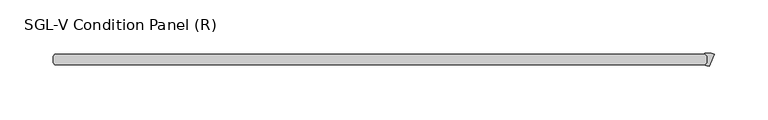
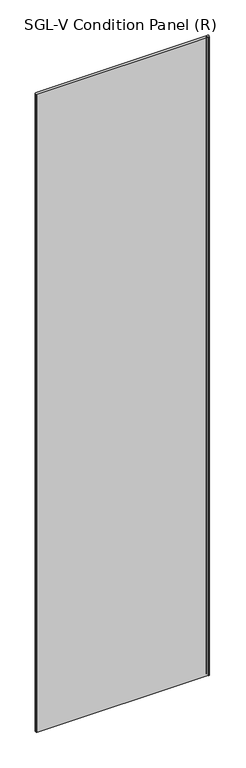
"""IFC4 building model written with IfcOpenShell, lengths in millimetres: plate geometry, SGL-V Condition Panel (R)."""

import ifcopenshell
import ifcopenshell.guid

model = None  # the IFC model being written
_history = None  # IfcOwnerHistory: only IFC2X3 demands one
_inside = {}  # id of a spatial element -> (the spatial element, [elements in it])
_under = {}  # id of a project, library or spatial element -> (it, [spatial elements below it])
_declared = {}  # id of a project -> (the project, [libraries it declares])
_typed = {}  # id of a type object -> (the type object, [elements of that type])
_made_of = {}  # id of a material, layer set ... -> (it, [elements and type objects made of it])


def new_model(schema):
    """Start an empty IFC model of exactly this schema.

    Asked for "IFC4X3", IfcOpenShell would pick the latest addendum, in which some entities
    have other attributes; the version numbers below select the first issue.
    IFC2X3 requires an IfcOwnerHistory on every rooted entity: one is made here for all.
    """
    global model, _history
    if schema == "IFC4X3":
        model = ifcopenshell.file(schema_version=(4, 3, 0, 0))
    else:
        model = ifcopenshell.file(schema=schema)
    _inside.clear()
    _under.clear()
    _declared.clear()
    _typed.clear()
    _made_of.clear()
    _history = None
    if model.schema == "IFC2X3":
        org = make("IfcOrganization", Name="unknown")
        user = make(
            "IfcPersonAndOrganization",
            ThePerson=make("IfcPerson", FamilyName="unknown"),
            TheOrganization=org,
        )
        app = make(
            "IfcApplication",
            ApplicationDeveloper=org,
            Version="unknown",
            ApplicationFullName="unknown",
            ApplicationIdentifier="unknown",
        )
        _history = make(
            "IfcOwnerHistory",
            OwningUser=user,
            OwningApplication=app,
            ChangeAction="ADDED",
            CreationDate=0,
        )
    return model


def make(cls, **values):
    """One entity of the class cls with the attributes given. An attribute that is None is left unset."""
    return model.create_entity(
        cls, **{name: value for name, value in values.items() if value is not None}
    )


def rooted(cls, **values):
    """An entity with a GlobalId (a new one), such as an element, a storey or a relation."""
    return make(cls, GlobalId=ifcopenshell.guid.new(), OwnerHistory=_history, **values)


def si_unit(unit_type, name, prefix=None):
    """IfcSIUnit, for example si_unit("LENGTHUNIT", "METRE", prefix="MILLI")."""
    return make("IfcSIUnit", UnitType=unit_type, Prefix=prefix, Name=name)


def assignment(units):
    """IfcUnitAssignment: the units of a project."""
    return None if units is None else make("IfcUnitAssignment", Units=units)


def point(xyz):
    """IfcCartesianPoint."""
    return None if xyz is None else make("IfcCartesianPoint", Coordinates=xyz)


def direction(xyz):
    """IfcDirection."""
    return None if xyz is None else make("IfcDirection", DirectionRatios=xyz)


def frame(location, z_axis=None, x_axis=None):
    """IfcAxis2Placement3D, a coordinate frame: its origin and axes. An axis left out is left unset."""
    return make(
        "IfcAxis2Placement3D",
        Location=point(location),
        Axis=direction(z_axis),
        RefDirection=direction(x_axis),
    )


def frame_2d(location, x_axis=None):
    """IfcAxis2Placement2D, a coordinate frame in the plane: its origin and x axis."""
    return make(
        "IfcAxis2Placement2D", Location=point(location), RefDirection=direction(x_axis)
    )


def origin():
    """The frame at (0, 0, 0) with its axes left unset."""
    return frame((0.0, 0.0, 0.0))


def origin_with_axes():
    """The frame at (0, 0, 0) with the z axis (0, 0, 1) and the x axis (1, 0, 0) written out."""
    return frame((0.0, 0.0, 0.0), z_axis=(0.0, 0.0, 1.0), x_axis=(1.0, 0.0, 0.0))


def place(relative_to, where):
    """IfcLocalPlacement: puts the frame where relative to a parent placement (None: the world)."""
    return make(
        "IfcLocalPlacement", PlacementRelTo=relative_to, RelativePlacement=where
    )


def context(
    kind, dimensions, precision=None, world=None, true_north=None, identifier=None
):
    """IfcGeometricRepresentationContext, for example the 3D "Model" context."""
    return make(
        "IfcGeometricRepresentationContext",
        ContextIdentifier=identifier,
        ContextType=kind,
        CoordinateSpaceDimension=dimensions,
        Precision=precision,
        WorldCoordinateSystem=world,
        TrueNorth=true_north,
    )


def project(units=None, contexts=None):
    """IfcProject with its units and contexts."""
    return rooted(
        "IfcProject",
        Name="project",
        RepresentationContexts=contexts,
        UnitsInContext=assignment(units),
    )


def spatial(cls, under=None, at=None, **own):
    """A site, building, storey or space (cls), placed at a placement, below another one or the project."""
    s = rooted(cls, ObjectPlacement=at, **own)
    if under is not None:
        _under.setdefault(under.id(), (under, []))[1].append(s)
    return s


def polyline(points):
    """IfcPolyline through the points."""
    return make("IfcPolyline", Points=[point(p) for p in points])


def circle_curve(where, radius):
    """IfcCircle in the frame where."""
    return make("IfcCircle", Position=where, Radius=radius)


def trimmed(basis, trim1, trim2, sense, master):
    """IfcTrimmedCurve: the piece of a basis curve between two trims."""
    return make(
        "IfcTrimmedCurve",
        BasisCurve=basis,
        Trim1=trim1,
        Trim2=trim2,
        SenseAgreement=sense,
        MasterRepresentation=master,
    )


def segment(curve, same_sense, transition):
    """IfcCompositeCurveSegment."""
    return make(
        "IfcCompositeCurveSegment",
        Transition=transition,
        SameSense=same_sense,
        ParentCurve=curve,
    )


def composite_curve(segments, self_intersect=None):
    """IfcCompositeCurve: segments joined end to end."""
    return make("IfcCompositeCurve", Segments=segments, SelfIntersect=self_intersect)


def outline(outer, holes=None, kind="AREA"):
    """IfcArbitraryClosedProfileDef: a profile drawn as a closed curve; with holes, ...WithVoids."""
    if holes is None:
        return make("IfcArbitraryClosedProfileDef", ProfileType=kind, OuterCurve=outer)
    return make(
        "IfcArbitraryProfileDefWithVoids",
        ProfileType=kind,
        OuterCurve=outer,
        InnerCurves=holes,
    )


def extrude(swept, where, along, depth):
    """IfcExtrudedAreaSolid: the profile swept, set in the frame where, extruded along a direction by depth."""
    return make(
        "IfcExtrudedAreaSolid",
        SweptArea=swept,
        Position=where,
        ExtrudedDirection=direction(along),
        Depth=depth,
    )


def shape(context_of_items, identifier, shape_type, items):
    """IfcShapeRepresentation: the items that make up one representation, for example the "Body"."""
    return make(
        "IfcShapeRepresentation",
        ContextOfItems=context_of_items,
        RepresentationIdentifier=identifier,
        RepresentationType=shape_type,
        Items=items,
    )


def source(mapping_origin, context_of_items, identifier, shape_type, items):
    """IfcRepresentationMap: a shape defined once, which mapped items show again and again."""
    return make(
        "IfcRepresentationMap",
        MappingOrigin=mapping_origin,
        MappedRepresentation=shape(context_of_items, identifier, shape_type, items),
    )


def transform(
    local_origin,
    x_axis=None,
    y_axis=None,
    z_axis=None,
    scale=None,
    scale2=None,
    scale3=None,
    uniform=True,
):
    """IfcCartesianTransformationOperator3D, or its non-uniform kind. x_axis, y_axis, z_axis: its Axis1, 2, 3."""
    if uniform:
        return make(
            "IfcCartesianTransformationOperator3D",
            Axis1=direction(x_axis),
            Axis2=direction(y_axis),
            LocalOrigin=point(local_origin),
            Scale=scale,
            Axis3=direction(z_axis),
        )
    return make(
        "IfcCartesianTransformationOperator3DnonUniform",
        Axis1=direction(x_axis),
        Axis2=direction(y_axis),
        LocalOrigin=point(local_origin),
        Scale=scale,
        Axis3=direction(z_axis),
        Scale2=scale2,
        Scale3=scale3,
    )


def mapped(mapping_source, mapping_target):
    """IfcMappedItem: shows the shape of a source again, moved by a transform."""
    return make(
        "IfcMappedItem", MappingSource=mapping_source, MappingTarget=mapping_target
    )


def made_of(thing, what):
    """Note that an element or type object is made of a material, layer set ...; save() writes the relation."""
    if what is not None:
        _made_of.setdefault(what.id(), (what, []))[1].append(thing)
    return thing


def element(
    cls,
    number,
    at=None,
    inside=None,
    cuts=None,
    type_object=None,
    material=None,
    context=None,
    identifier="Body",
    shape_type=None,
    held_by="IfcProductDefinitionShape",
    body=None,
    shapes=None,
    **own,
):
    """One element of the class cls, such as IfcWall. Its Tag is "e" and its number.

    at: its placement. inside: the storey or other place that contains it. cuts: it is an
    opening in that element (IfcRelVoidsElement). A single representation is given by context,
    identifier, shape_type and body (its items); several are given by shapes. held_by: the class
    of the entity that holds the representations. save() writes the other relations.
    """
    e = rooted(cls, Tag="e%d" % number, ObjectPlacement=at, **own)
    if body is not None:
        shapes = [shape(context, identifier, shape_type, body)]
    if shapes is not None:
        e.Representation = make(held_by, Representations=shapes)
    if inside is not None:
        _inside.setdefault(inside.id(), (inside, []))[1].append(e)
    if cuts is not None:
        rooted(
            "IfcRelVoidsElement", RelatingBuildingElement=cuts, RelatedOpeningElement=e
        )
    if type_object is not None:
        _typed.setdefault(type_object.id(), (type_object, []))[1].append(e)
    return made_of(e, material)


def aggregate(whole, parts):
    """IfcRelAggregates: a whole, such as a stair, and the parts it consists of."""
    return rooted("IfcRelAggregates", RelatingObject=whole, RelatedObjects=parts)


def save(model, path):
    """Write the relations noted so far, then the file.

    IfcRelAggregates (storeys below a building ...), IfcRelContainedInSpatialStructure (elements
    in a storey), IfcRelDefinesByType, IfcRelAssociatesMaterial and IfcRelDeclares: one each for
    every whole, place, type object, material and project.
    """
    for whole, parts in _under.values():
        aggregate(whole, parts)
    for where, things in _inside.values():
        rooted(
            "IfcRelContainedInSpatialStructure",
            RelatedElements=things,
            RelatingStructure=where,
        )
    for kind, things in _typed.values():
        rooted("IfcRelDefinesByType", RelatedObjects=things, RelatingType=kind)
    for what, things in _made_of.values():
        rooted("IfcRelAssociatesMaterial", RelatedObjects=things, RelatingMaterial=what)
    for by, libraries in _declared.values():
        rooted("IfcRelDeclares", RelatingContext=by, RelatedDefinitions=libraries)
    model.write(path)


def sgl_v_condition_panel_r_1383bac1(model_context):
    return source(origin(), model_context, "Body", "SweptSolid", [
        extrude(outline(composite_curve([segment(polyline([(306.6725389, -25.1816625), (301.9435056, -36.5985587)]), True, "CONTINUOUS"), segment(trimmed(circle_curve(frame_2d((298.2456736, -43.938415)), 8.2187257), [point((301.9435056, -36.5985587))], [point((298.4129947, -35.7213927))], True, "CARTESIAN"), True, "CONTINUOUS"), segment(trimmed(circle_curve(frame_2d((298.4210745, -35.3246)), 0.396875), [point((298.4129947, -35.7213927))], [point((298.1404415, -35.0439669))], False, "CARTESIAN"), True, "CONTINUOUS"), segment(polyline([(298.1404415, -35.0439669), (299.8469084, -33.3375), (299.8469084, -26.9875), (297.7677007, -24.9082923)]), True, "CONTINUOUS"), segment(trimmed(circle_curve(frame_2d((298.0483337, -24.6276593)), 0.396875), [point((297.7677007, -24.9082923))], [point((297.9925665, -24.2347219))], False, "CARTESIAN"), True, "CONTINUOUS"), segment(trimmed(circle_curve(frame_2d((300.4755618, -41.7299885)), 17.6705863), [point((297.9925665, -24.2347219))], [point((306.6725389, -25.1816625))], False, "CARTESIAN"), True, "CONTINUOUS")], self_intersect=False)), origin_with_axes(), (0.0, 0.0, 1.0), 2417.075),
        extrude(outline(polyline([(298.2594084, -25.4), (299.8469084, -26.9875), (299.8469084, -33.3375), (298.2594084, -34.925), (-315.515625, -34.925), (-317.103125, -33.3375), (-317.103125, -26.9875), (-315.515625, -25.4), (298.2594084, -25.4)])), origin_with_axes(), (0.0, 0.0, 1.0), 2417.075),
    ])


if __name__ == "__main__":
    model = new_model("IFC4")
    model_context = context("Model", 3, world=origin())
    ifc_project = project(units=[si_unit("LENGTHUNIT", "METRE", prefix="MILLI")], contexts=[model_context])
    site = spatial("IfcSite", under=ifc_project)
    building = spatial("IfcBuilding", under=site)
    placement = place(None, origin())
    sgl_v_condition_panel_r_shape = sgl_v_condition_panel_r_1383bac1(model_context)
    element("IfcPlate", 1, ObjectType="SGL-V Condition Panel (R)", at=placement, inside=building, context=model_context, shape_type="MappedRepresentation", body=[
        mapped(sgl_v_condition_panel_r_shape, transform((0.0, 0.0, 0.0), x_axis=(1.0, 0.0, 0.0), y_axis=(0.0, 1.0, 0.0), z_axis=(0.0, 0.0, 1.0))),
    ])
    save(model, "model.ifc")
